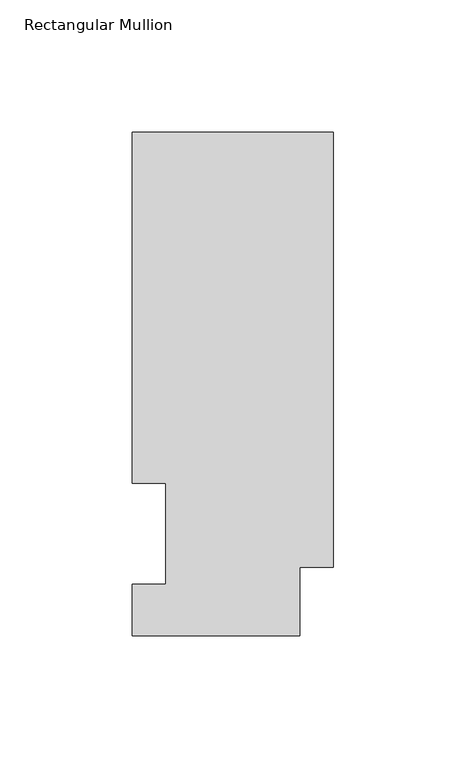
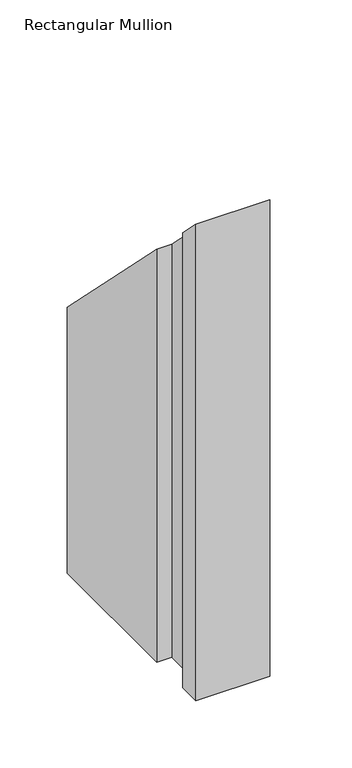
"""IFC4 building model written with IfcOpenShell, lengths in millimetres: member geometry, Rectangular Mullion."""

from ifc_helpers import new_model, si_unit, origin, place, context, project, spatial, faceted_brep, source, transform, mapped, element, save


def rectangular_mullion_96d153b5(model_context):
    return source(origin(), model_context, "Body", "Brep", [
        faceted_brep([(-76.2, 0.0134937, -431.8), (-76.2, 19.5460937, -431.8), (-63.5127, 19.5460937, -431.8), (-63.5127, 57.6460937, -431.8), (-76.2, 57.6460937, -431.8), (-76.2, 190.5896937, -431.8), (0.0, 190.5896937, -431.8), (0.0, 25.8960937, -431.8), (-12.7, 25.8960937, -431.8), (-12.7, 0.0134937, -431.8), (-12.7, 0.0134937, -0.0134937), (-76.2, 0.0134937, -0.0134937), (-12.7, 25.8960937, -25.8960937), (0.0, 25.8960937, -25.8960937), (0.0, 190.5896937, -190.5896937), (-76.2, 190.5896937, -190.5896937), (-76.2, 57.6460937, -57.6460938), (-63.5127, 57.6460937, -57.6460938), (-63.5127, 19.5460937, -19.5460937), (-76.2, 19.5460937, -19.5460937)], [[[0, 1, 2, 3, 4, 5, 6, 7, 8, 9]], [[10, 11, 0, 9]], [[12, 10, 9, 8]], [[13, 12, 8, 7]], [[14, 13, 7, 6]], [[15, 14, 6, 5]], [[16, 15, 5, 4]], [[17, 16, 4, 3]], [[18, 17, 3, 2]], [[19, 18, 2, 1]], [[11, 19, 1, 0]], [[11, 10, 12, 13, 14, 15, 16, 17, 18, 19]]]),
    ])


if __name__ == "__main__":
    model = new_model("IFC4")
    model_context = context("Model", 3, world=origin())
    ifc_project = project(units=[si_unit("LENGTHUNIT", "METRE", prefix="MILLI")], contexts=[model_context])
    site = spatial("IfcSite", under=ifc_project)
    building = spatial("IfcBuilding", under=site)
    placement = place(None, origin())
    rectangular_mullion_shape = rectangular_mullion_96d153b5(model_context)
    element("IfcMember", 1, ObjectType="Rectangular Mullion", at=placement, inside=building, context=model_context, shape_type="MappedRepresentation", body=[
        mapped(rectangular_mullion_shape, transform((0.0, 0.0, 0.0), x_axis=(1.0, 0.0, 0.0), y_axis=(0.0, 1.0, 0.0), z_axis=(0.0, 0.0, 1.0))),
    ])
    save(model, "model.ifc")
